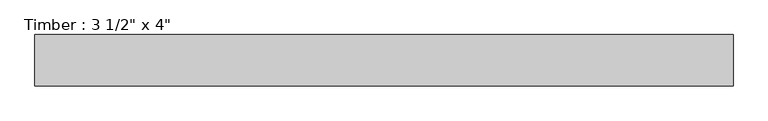
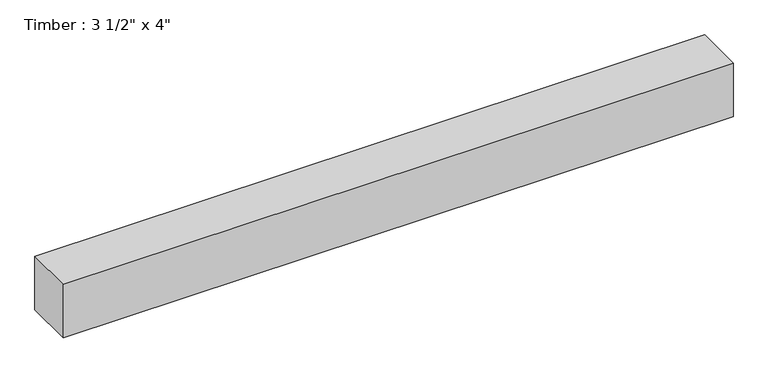
"""IFC4 building model written with IfcOpenShell, lengths in millimetres: beam geometry."""

import ifcopenshell
import ifcopenshell.guid

model = None  # the IFC model being written
_history = None  # IfcOwnerHistory: only IFC2X3 demands one
_inside = {}  # id of a spatial element -> (the spatial element, [elements in it])
_under = {}  # id of a project, library or spatial element -> (it, [spatial elements below it])
_declared = {}  # id of a project -> (the project, [libraries it declares])
_typed = {}  # id of a type object -> (the type object, [elements of that type])
_made_of = {}  # id of a material, layer set ... -> (it, [elements and type objects made of it])


def new_model(schema):
    """Start an empty IFC model of exactly this schema.

    Asked for "IFC4X3", IfcOpenShell would pick the latest addendum, in which some entities
    have other attributes; the version numbers below select the first issue.
    IFC2X3 requires an IfcOwnerHistory on every rooted entity: one is made here for all.
    """
    global model, _history
    if schema == "IFC4X3":
        model = ifcopenshell.file(schema_version=(4, 3, 0, 0))
    else:
        model = ifcopenshell.file(schema=schema)
    _inside.clear()
    _under.clear()
    _declared.clear()
    _typed.clear()
    _made_of.clear()
    _history = None
    if model.schema == "IFC2X3":
        org = make("IfcOrganization", Name="unknown")
        user = make(
            "IfcPersonAndOrganization",
            ThePerson=make("IfcPerson", FamilyName="unknown"),
            TheOrganization=org,
        )
        app = make(
            "IfcApplication",
            ApplicationDeveloper=org,
            Version="unknown",
            ApplicationFullName="unknown",
            ApplicationIdentifier="unknown",
        )
        _history = make(
            "IfcOwnerHistory",
            OwningUser=user,
            OwningApplication=app,
            ChangeAction="ADDED",
            CreationDate=0,
        )
    return model


def make(cls, **values):
    """One entity of the class cls with the attributes given. An attribute that is None is left unset."""
    return model.create_entity(
        cls, **{name: value for name, value in values.items() if value is not None}
    )


def rooted(cls, **values):
    """An entity with a GlobalId (a new one), such as an element, a storey or a relation."""
    return make(cls, GlobalId=ifcopenshell.guid.new(), OwnerHistory=_history, **values)


def si_unit(unit_type, name, prefix=None):
    """IfcSIUnit, for example si_unit("LENGTHUNIT", "METRE", prefix="MILLI")."""
    return make("IfcSIUnit", UnitType=unit_type, Prefix=prefix, Name=name)


def assignment(units):
    """IfcUnitAssignment: the units of a project."""
    return None if units is None else make("IfcUnitAssignment", Units=units)


def point(xyz):
    """IfcCartesianPoint."""
    return None if xyz is None else make("IfcCartesianPoint", Coordinates=xyz)


def direction(xyz):
    """IfcDirection."""
    return None if xyz is None else make("IfcDirection", DirectionRatios=xyz)


def frame(location, z_axis=None, x_axis=None):
    """IfcAxis2Placement3D, a coordinate frame: its origin and axes. An axis left out is left unset."""
    return make(
        "IfcAxis2Placement3D",
        Location=point(location),
        Axis=direction(z_axis),
        RefDirection=direction(x_axis),
    )


def origin():
    """The frame at (0, 0, 0) with its axes left unset."""
    return frame((0.0, 0.0, 0.0))


def place(relative_to, where):
    """IfcLocalPlacement: puts the frame where relative to a parent placement (None: the world)."""
    return make(
        "IfcLocalPlacement", PlacementRelTo=relative_to, RelativePlacement=where
    )


def context(
    kind, dimensions, precision=None, world=None, true_north=None, identifier=None
):
    """IfcGeometricRepresentationContext, for example the 3D "Model" context."""
    return make(
        "IfcGeometricRepresentationContext",
        ContextIdentifier=identifier,
        ContextType=kind,
        CoordinateSpaceDimension=dimensions,
        Precision=precision,
        WorldCoordinateSystem=world,
        TrueNorth=true_north,
    )


def project(units=None, contexts=None):
    """IfcProject with its units and contexts."""
    return rooted(
        "IfcProject",
        Name="project",
        RepresentationContexts=contexts,
        UnitsInContext=assignment(units),
    )


def spatial(cls, under=None, at=None, **own):
    """A site, building, storey or space (cls), placed at a placement, below another one or the project."""
    s = rooted(cls, ObjectPlacement=at, **own)
    if under is not None:
        _under.setdefault(under.id(), (under, []))[1].append(s)
    return s


def polyline(points):
    """IfcPolyline through the points."""
    return make("IfcPolyline", Points=[point(p) for p in points])


def outline(outer, holes=None, kind="AREA"):
    """IfcArbitraryClosedProfileDef: a profile drawn as a closed curve; with holes, ...WithVoids."""
    if holes is None:
        return make("IfcArbitraryClosedProfileDef", ProfileType=kind, OuterCurve=outer)
    return make(
        "IfcArbitraryProfileDefWithVoids",
        ProfileType=kind,
        OuterCurve=outer,
        InnerCurves=holes,
    )


def extrude(swept, where, along, depth):
    """IfcExtrudedAreaSolid: the profile swept, set in the frame where, extruded along a direction by depth."""
    return make(
        "IfcExtrudedAreaSolid",
        SweptArea=swept,
        Position=where,
        ExtrudedDirection=direction(along),
        Depth=depth,
    )


def shape(context_of_items, identifier, shape_type, items):
    """IfcShapeRepresentation: the items that make up one representation, for example the "Body"."""
    return make(
        "IfcShapeRepresentation",
        ContextOfItems=context_of_items,
        RepresentationIdentifier=identifier,
        RepresentationType=shape_type,
        Items=items,
    )


def source(mapping_origin, context_of_items, identifier, shape_type, items):
    """IfcRepresentationMap: a shape defined once, which mapped items show again and again."""
    return make(
        "IfcRepresentationMap",
        MappingOrigin=mapping_origin,
        MappedRepresentation=shape(context_of_items, identifier, shape_type, items),
    )


def transform(
    local_origin,
    x_axis=None,
    y_axis=None,
    z_axis=None,
    scale=None,
    scale2=None,
    scale3=None,
    uniform=True,
):
    """IfcCartesianTransformationOperator3D, or its non-uniform kind. x_axis, y_axis, z_axis: its Axis1, 2, 3."""
    if uniform:
        return make(
            "IfcCartesianTransformationOperator3D",
            Axis1=direction(x_axis),
            Axis2=direction(y_axis),
            LocalOrigin=point(local_origin),
            Scale=scale,
            Axis3=direction(z_axis),
        )
    return make(
        "IfcCartesianTransformationOperator3DnonUniform",
        Axis1=direction(x_axis),
        Axis2=direction(y_axis),
        LocalOrigin=point(local_origin),
        Scale=scale,
        Axis3=direction(z_axis),
        Scale2=scale2,
        Scale3=scale3,
    )


def mapped(mapping_source, mapping_target):
    """IfcMappedItem: shows the shape of a source again, moved by a transform."""
    return make(
        "IfcMappedItem", MappingSource=mapping_source, MappingTarget=mapping_target
    )


def made_of(thing, what):
    """Note that an element or type object is made of a material, layer set ...; save() writes the relation."""
    if what is not None:
        _made_of.setdefault(what.id(), (what, []))[1].append(thing)
    return thing


def element(
    cls,
    number,
    at=None,
    inside=None,
    cuts=None,
    type_object=None,
    material=None,
    context=None,
    identifier="Body",
    shape_type=None,
    held_by="IfcProductDefinitionShape",
    body=None,
    shapes=None,
    **own,
):
    """One element of the class cls, such as IfcWall. Its Tag is "e" and its number.

    at: its placement. inside: the storey or other place that contains it. cuts: it is an
    opening in that element (IfcRelVoidsElement). A single representation is given by context,
    identifier, shape_type and body (its items); several are given by shapes. held_by: the class
    of the entity that holds the representations. save() writes the other relations.
    """
    e = rooted(cls, Tag="e%d" % number, ObjectPlacement=at, **own)
    if body is not None:
        shapes = [shape(context, identifier, shape_type, body)]
    if shapes is not None:
        e.Representation = make(held_by, Representations=shapes)
    if inside is not None:
        _inside.setdefault(inside.id(), (inside, []))[1].append(e)
    if cuts is not None:
        rooted(
            "IfcRelVoidsElement", RelatingBuildingElement=cuts, RelatedOpeningElement=e
        )
    if type_object is not None:
        _typed.setdefault(type_object.id(), (type_object, []))[1].append(e)
    return made_of(e, material)


def aggregate(whole, parts):
    """IfcRelAggregates: a whole, such as a stair, and the parts it consists of."""
    return rooted("IfcRelAggregates", RelatingObject=whole, RelatedObjects=parts)


def save(model, path):
    """Write the relations noted so far, then the file.

    IfcRelAggregates (storeys below a building ...), IfcRelContainedInSpatialStructure (elements
    in a storey), IfcRelDefinesByType, IfcRelAssociatesMaterial and IfcRelDeclares: one each for
    every whole, place, type object, material and project.
    """
    for whole, parts in _under.values():
        aggregate(whole, parts)
    for where, things in _inside.values():
        rooted(
            "IfcRelContainedInSpatialStructure",
            RelatedElements=things,
            RelatingStructure=where,
        )
    for kind, things in _typed.values():
        rooted("IfcRelDefinesByType", RelatedObjects=things, RelatingType=kind)
    for what, things in _made_of.values():
        rooted("IfcRelAssociatesMaterial", RelatedObjects=things, RelatingMaterial=what)
    for by, libraries in _declared.values():
        rooted("IfcRelDeclares", RelatingContext=by, RelatedDefinitions=libraries)
    model.write(path)


def beam_a64d5760(model_context):
    return source(origin(), model_context, "Body", "SweptSolid", [
        extrude(outline(polyline([(603.2416606, -44.45), (-603.2416606, -44.45), (-603.2416606, 44.45), (603.2416606, 44.45), (603.2416606, -44.45)])), frame((0.0, 0.0, -50.8), z_axis=(0.0, 0.0, 1.0), x_axis=(1.0, 0.0, 0.0)), (0.0, 0.0, 1.0), 101.6),
    ])


if __name__ == "__main__":
    model = new_model("IFC4")
    model_context = context("Model", 3, world=origin())
    ifc_project = project(units=[si_unit("LENGTHUNIT", "METRE", prefix="MILLI")], contexts=[model_context])
    site = spatial("IfcSite", under=ifc_project)
    building = spatial("IfcBuilding", under=site)
    placement = place(None, origin())
    beam_shape = beam_a64d5760(model_context)
    element("IfcBeam", 1, ObjectType="Timber : 3 1/2\" x 4\"", at=placement, inside=building, context=model_context, shape_type="MappedRepresentation", body=[
        mapped(beam_shape, transform((0.0, 0.0, 0.0), x_axis=(1.0, 0.0, 0.0), y_axis=(0.0, 1.0, 0.0), z_axis=(0.0, 0.0, 1.0))),
    ])
    save(model, "model.ifc")
